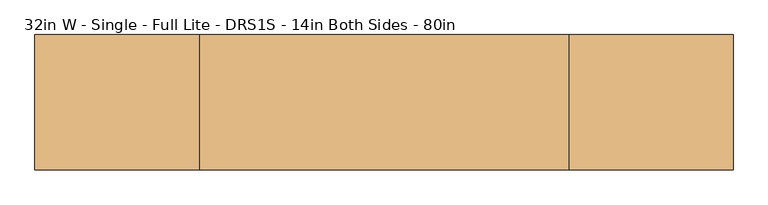
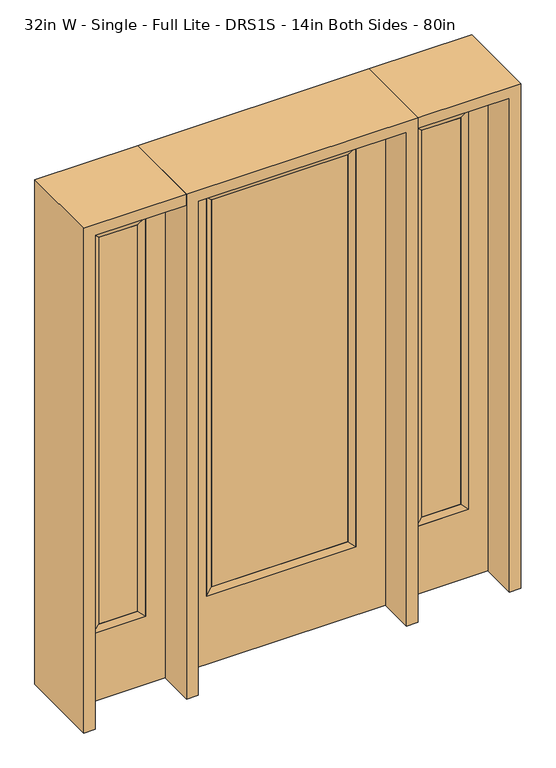
"""IFC4 building model written with IfcOpenShell, lengths in millimetres: door geometry, 32in W - Single - Full Lite - DRS1S - 14in Both Sides - 80in."""

from ifc_helpers import new_model, si_unit, frame, origin, place, context, project, spatial, polyline, outline, extrude, faceted_brep, source, transform, mapped, element, save


def door_32in_w_single_full_lite_drs1s_14in_both_sides_80in_0ad6ccab(model_context):
    return source(origin(), model_context, "Body", "SolidModel", [
        extrude(outline(polyline([(265.5824, -12.7039749), (-265.5824, -12.7039749), (-265.5824, 14.2875), (265.5824, 14.2875), (265.5824, -12.7039749)])), frame((0.0, 0.0, 304.8), z_axis=(0.0, 0.0, 1.0), x_axis=(1.0, 0.0, 0.0)), (0.0, 0.0, 1.0), 1591.1576),
        faceted_brep([(265.5824, 14.2875, 1895.9576), (290.9824, 22.225, 1921.3576), (290.9824, 22.225, 279.4), (265.5824, 14.2875, 304.8), (290.9824, -22.225, 1921.3576), (290.9824, -22.225, 279.4), (-290.9824, 22.225, 279.4), (-265.5824, 14.2875, 304.8), (265.5824, -12.7039749, 1895.9576), (265.5824, -12.7039749, 304.8), (-265.5824, -12.7039749, 304.8), (-290.9824, -22.225, 279.4), (-290.9824, 22.225, 1921.3576), (-265.5824, 14.2875, 1895.9576), (-265.5824, -12.7039749, 1895.9576), (-290.9824, -22.225, 1921.3576)], [[[0, 1, 2, 3]], [[1, 4, 5, 2]], [[3, 2, 6, 7]], [[8, 0, 3, 9]], [[9, 3, 7, 10]], [[4, 8, 9, 5]], [[5, 9, 10, 11]], [[2, 5, 11, 6]], [[7, 6, 12, 13]], [[10, 7, 13, 14]], [[11, 10, 14, 15]], [[6, 11, 15, 12]], [[13, 12, 1, 0]], [[14, 13, 0, 8]], [[15, 14, 8, 4]], [[12, 15, 4, 1]]]),
        extrude(outline(polyline([(0.0, -406.4), (0.0, 406.4), (2032.0, 406.4), (2032.0, -406.4), (0.0, -406.4)]), holes=[polyline([(279.4, -290.9824), (1921.3576, -290.9824), (1921.3576, 290.9824), (279.4, 290.9824), (279.4, -290.9824)])]), frame((0.0, -22.225, 0.0), z_axis=(0.0, 1.0, 0.0), x_axis=(0.0, 0.0, 1.0)), (0.0, 0.0, 1.0), 44.45),
        faceted_brep([(527.05, 20.6375, 1920.875), (527.05, 20.6375, 279.4), (527.05, -20.6375, 279.4), (527.05, -20.6375, 1920.875), (552.45, -12.7, 304.8), (552.45, -12.7, 1895.475), (730.25, 20.6375, 279.4), (730.25, -20.6375, 279.4), (552.45, 12.7, 1895.475), (552.45, 12.7, 304.8), (704.85, 12.7, 304.8), (704.85, -12.7, 304.8), (730.25, 20.6375, 1920.875), (730.25, -20.6375, 1920.875), (704.85, 12.7, 1895.475), (704.85, -12.7, 1895.475)], [[[0, 1, 2, 3]], [[3, 2, 4, 5]], [[1, 6, 7, 2]], [[8, 9, 1, 0]], [[9, 10, 6, 1]], [[5, 4, 9, 8]], [[4, 11, 10, 9]], [[2, 7, 11, 4]], [[6, 12, 13, 7]], [[10, 14, 12, 6]], [[11, 15, 14, 10]], [[7, 13, 15, 11]], [[12, 0, 3, 13]], [[14, 8, 0, 12]], [[15, 5, 8, 14]], [[13, 3, 5, 15]]]),
        extrude(outline(polyline([(0.0, 806.45), (2032.0, 806.45), (2032.0, 450.85), (0.0, 450.85), (0.0, 806.45)]), holes=[polyline([(1920.875, 527.05), (1920.875, 730.25), (279.4, 730.25), (279.4, 527.05), (1920.875, 527.05)])]), frame((0.0, -20.6375, 0.0), z_axis=(0.0, 1.0, 0.0), x_axis=(0.0, 0.0, 1.0)), (0.0, 0.0, 1.0), 41.275),
        extrude(outline(polyline([(552.45, -12.7), (552.45, 12.7), (704.85, 12.7), (704.85, -12.7), (552.45, -12.7)])), frame((0.0, 0.0, 304.8), z_axis=(0.0, 0.0, 1.0), x_axis=(1.0, 0.0, 0.0)), (0.0, 0.0, 1.0), 1590.675),
        faceted_brep([(-527.05, 20.6375, 1920.875), (-527.05, -20.6375, 1920.875), (-527.05, -20.6375, 279.4), (-527.05, 20.6375, 279.4), (-552.45, -12.7, 1895.475), (-552.45, -12.7, 304.8), (-730.25, -20.6375, 279.4), (-730.25, 20.6375, 279.4), (-552.45, 12.7, 1895.475), (-552.45, 12.7, 304.8), (-704.85, 12.7, 304.8), (-704.85, -12.7, 304.8), (-730.25, -20.6375, 1920.875), (-730.25, 20.6375, 1920.875), (-704.85, 12.7, 1895.475), (-704.85, -12.7, 1895.475)], [[[0, 1, 2, 3]], [[1, 4, 5, 2]], [[3, 2, 6, 7]], [[8, 0, 3, 9]], [[9, 3, 7, 10]], [[4, 8, 9, 5]], [[5, 9, 10, 11]], [[2, 5, 11, 6]], [[7, 6, 12, 13]], [[10, 7, 13, 14]], [[11, 10, 14, 15]], [[6, 11, 15, 12]], [[13, 12, 1, 0]], [[14, 13, 0, 8]], [[15, 14, 8, 4]], [[12, 15, 4, 1]]]),
        extrude(outline(polyline([(0.0, -806.45), (0.0, -450.85), (2032.0, -450.85), (2032.0, -806.45), (0.0, -806.45)]), holes=[polyline([(1920.875, -527.05), (279.4, -527.05), (279.4, -730.25), (1920.875, -730.25), (1920.875, -527.05)])]), frame((0.0, -20.6375, 0.0), z_axis=(0.0, 1.0, 0.0), x_axis=(0.0, 0.0, 1.0)), (0.0, 0.0, 1.0), 41.275),
        extrude(outline(polyline([(-552.45, -12.7), (-704.85, -12.7), (-704.85, 12.7), (-552.45, 12.7), (-552.45, -12.7)])), frame((0.0, 0.0, 304.8), z_axis=(0.0, 0.0, 1.0), x_axis=(1.0, 0.0, 0.0)), (0.0, 0.0, 1.0), 1590.675),
        extrude(outline(polyline([(2032.0, -450.85), (2076.45, -450.85), (2076.45, -850.9), (0.0, -850.9), (0.0, -806.45), (2032.0, -806.45), (2032.0, -450.85)])), frame((0.0, -165.1, 0.0), z_axis=(0.0, 1.0, 0.0), x_axis=(0.0, 0.0, 1.0)), (0.0, 0.0, 1.0), 330.2),
        extrude(outline(polyline([(2076.45, -450.85), (0.0, -450.85), (0.0, -406.4), (2032.0, -406.4), (2032.0, 406.4), (0.0, 406.4), (0.0, 450.85), (2076.45, 450.85), (2076.45, -450.85)])), frame((0.0, -165.1, 0.0), z_axis=(0.0, 1.0, 0.0), x_axis=(0.0, 0.0, 1.0)), (0.0, 0.0, 1.0), 330.2),
        extrude(outline(polyline([(0.0, 806.45), (0.0, 850.9), (2076.45, 850.9), (2076.45, 450.85), (2032.0, 450.85), (2032.0, 806.45), (0.0, 806.45)])), frame((0.0, -165.1, 0.0), z_axis=(0.0, 1.0, 0.0), x_axis=(0.0, 0.0, 1.0)), (0.0, 0.0, 1.0), 330.2),
    ])


if __name__ == "__main__":
    model = new_model("IFC4")
    model_context = context("Model", 3, world=origin())
    ifc_project = project(units=[si_unit("LENGTHUNIT", "METRE", prefix="MILLI")], contexts=[model_context])
    site = spatial("IfcSite", under=ifc_project)
    building = spatial("IfcBuilding", under=site)
    placement = place(None, origin())
    door_32in_w_single_full_lite_drs1s_14in_both_sides_80in_shape = door_32in_w_single_full_lite_drs1s_14in_both_sides_80in_0ad6ccab(model_context)
    element("IfcDoor", 1, ObjectType="32in W - Single - Full Lite - DRS1S - 14in Both Sides - 80in", at=placement, inside=building, context=model_context, shape_type="MappedRepresentation", body=[
        mapped(door_32in_w_single_full_lite_drs1s_14in_both_sides_80in_shape, transform((0.0, 0.0, 0.0), x_axis=(1.0, 0.0, 0.0), y_axis=(0.0, 1.0, 0.0), z_axis=(0.0, 0.0, 1.0))),
    ])
    save(model, "model.ifc")
